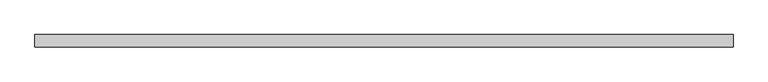
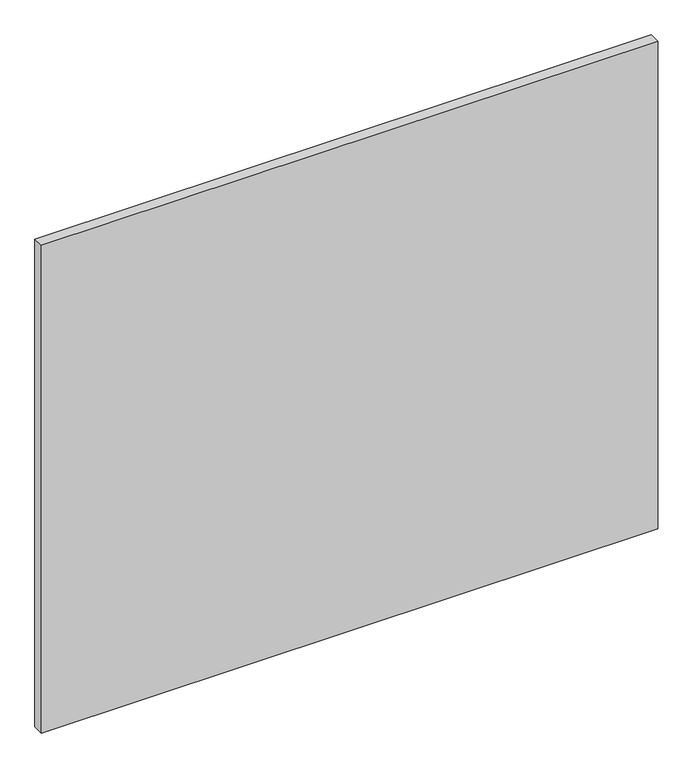
"""IFC4 building model written with IfcOpenShell, lengths in millimetres: proxy geometry."""

from ifc_helpers import new_model, si_unit, frame, origin, place, context, project, spatial, polyline, outline, extrude, source, transform, mapped, element, save


def specialty_equipment_473d3020(model_context):
    return source(origin(), model_context, "Body", "SweptSolid", [
        extrude(outline(polyline([(531.5249999, 0.0), (-531.5249999, 0.0), (-531.5249999, 19.05), (531.5249999, 19.05), (531.5249999, 0.0)])), frame((0.0, 0.0, 3.175), z_axis=(0.0, 0.0, 1.0), x_axis=(1.0, 0.0, 0.0)), (0.0, 0.0, 1.0), 889.0),
    ])


if __name__ == "__main__":
    model = new_model("IFC4")
    model_context = context("Model", 3, world=origin())
    ifc_project = project(units=[si_unit("LENGTHUNIT", "METRE", prefix="MILLI")], contexts=[model_context])
    site = spatial("IfcSite", under=ifc_project)
    building = spatial("IfcBuilding", under=site)
    placement = place(None, origin())
    specialty_equipment_shape = specialty_equipment_473d3020(model_context)
    element("IfcBuildingElementProxy", 1, Name="Specialty Equipment", at=placement, inside=building, context=model_context, shape_type="MappedRepresentation", body=[
        mapped(specialty_equipment_shape, transform((0.0, 0.0, 0.0), x_axis=(1.0, 0.0, 0.0), y_axis=(0.0, 1.0, 0.0), z_axis=(0.0, 0.0, 1.0))),
    ])
    save(model, "model.ifc")
